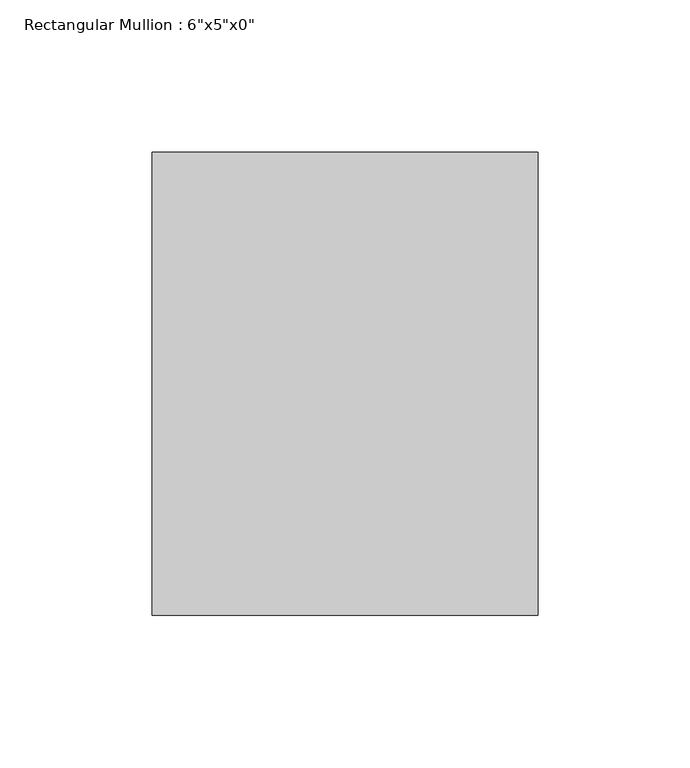
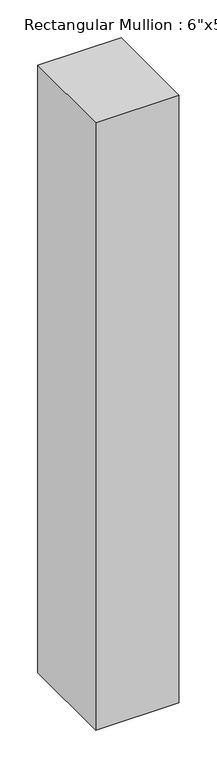
"""IFC4 building model written with IfcOpenShell, lengths in millimetres: member geometry."""

import ifcopenshell
import ifcopenshell.guid

model = None  # the IFC model being written
_history = None  # IfcOwnerHistory: only IFC2X3 demands one
_inside = {}  # id of a spatial element -> (the spatial element, [elements in it])
_under = {}  # id of a project, library or spatial element -> (it, [spatial elements below it])
_declared = {}  # id of a project -> (the project, [libraries it declares])
_typed = {}  # id of a type object -> (the type object, [elements of that type])
_made_of = {}  # id of a material, layer set ... -> (it, [elements and type objects made of it])


def new_model(schema):
    """Start an empty IFC model of exactly this schema.

    Asked for "IFC4X3", IfcOpenShell would pick the latest addendum, in which some entities
    have other attributes; the version numbers below select the first issue.
    IFC2X3 requires an IfcOwnerHistory on every rooted entity: one is made here for all.
    """
    global model, _history
    if schema == "IFC4X3":
        model = ifcopenshell.file(schema_version=(4, 3, 0, 0))
    else:
        model = ifcopenshell.file(schema=schema)
    _inside.clear()
    _under.clear()
    _declared.clear()
    _typed.clear()
    _made_of.clear()
    _history = None
    if model.schema == "IFC2X3":
        org = make("IfcOrganization", Name="unknown")
        user = make(
            "IfcPersonAndOrganization",
            ThePerson=make("IfcPerson", FamilyName="unknown"),
            TheOrganization=org,
        )
        app = make(
            "IfcApplication",
            ApplicationDeveloper=org,
            Version="unknown",
            ApplicationFullName="unknown",
            ApplicationIdentifier="unknown",
        )
        _history = make(
            "IfcOwnerHistory",
            OwningUser=user,
            OwningApplication=app,
            ChangeAction="ADDED",
            CreationDate=0,
        )
    return model


def make(cls, **values):
    """One entity of the class cls with the attributes given. An attribute that is None is left unset."""
    return model.create_entity(
        cls, **{name: value for name, value in values.items() if value is not None}
    )


def rooted(cls, **values):
    """An entity with a GlobalId (a new one), such as an element, a storey or a relation."""
    return make(cls, GlobalId=ifcopenshell.guid.new(), OwnerHistory=_history, **values)


def si_unit(unit_type, name, prefix=None):
    """IfcSIUnit, for example si_unit("LENGTHUNIT", "METRE", prefix="MILLI")."""
    return make("IfcSIUnit", UnitType=unit_type, Prefix=prefix, Name=name)


def assignment(units):
    """IfcUnitAssignment: the units of a project."""
    return None if units is None else make("IfcUnitAssignment", Units=units)


def point(xyz):
    """IfcCartesianPoint."""
    return None if xyz is None else make("IfcCartesianPoint", Coordinates=xyz)


def direction(xyz):
    """IfcDirection."""
    return None if xyz is None else make("IfcDirection", DirectionRatios=xyz)


def frame(location, z_axis=None, x_axis=None):
    """IfcAxis2Placement3D, a coordinate frame: its origin and axes. An axis left out is left unset."""
    return make(
        "IfcAxis2Placement3D",
        Location=point(location),
        Axis=direction(z_axis),
        RefDirection=direction(x_axis),
    )


def origin():
    """The frame at (0, 0, 0) with its axes left unset."""
    return frame((0.0, 0.0, 0.0))


def place(relative_to, where):
    """IfcLocalPlacement: puts the frame where relative to a parent placement (None: the world)."""
    return make(
        "IfcLocalPlacement", PlacementRelTo=relative_to, RelativePlacement=where
    )


def context(
    kind, dimensions, precision=None, world=None, true_north=None, identifier=None
):
    """IfcGeometricRepresentationContext, for example the 3D "Model" context."""
    return make(
        "IfcGeometricRepresentationContext",
        ContextIdentifier=identifier,
        ContextType=kind,
        CoordinateSpaceDimension=dimensions,
        Precision=precision,
        WorldCoordinateSystem=world,
        TrueNorth=true_north,
    )


def project(units=None, contexts=None):
    """IfcProject with its units and contexts."""
    return rooted(
        "IfcProject",
        Name="project",
        RepresentationContexts=contexts,
        UnitsInContext=assignment(units),
    )


def spatial(cls, under=None, at=None, **own):
    """A site, building, storey or space (cls), placed at a placement, below another one or the project."""
    s = rooted(cls, ObjectPlacement=at, **own)
    if under is not None:
        _under.setdefault(under.id(), (under, []))[1].append(s)
    return s


def polyline(points):
    """IfcPolyline through the points."""
    return make("IfcPolyline", Points=[point(p) for p in points])


def outline(outer, holes=None, kind="AREA"):
    """IfcArbitraryClosedProfileDef: a profile drawn as a closed curve; with holes, ...WithVoids."""
    if holes is None:
        return make("IfcArbitraryClosedProfileDef", ProfileType=kind, OuterCurve=outer)
    return make(
        "IfcArbitraryProfileDefWithVoids",
        ProfileType=kind,
        OuterCurve=outer,
        InnerCurves=holes,
    )


def extrude(swept, where, along, depth):
    """IfcExtrudedAreaSolid: the profile swept, set in the frame where, extruded along a direction by depth."""
    return make(
        "IfcExtrudedAreaSolid",
        SweptArea=swept,
        Position=where,
        ExtrudedDirection=direction(along),
        Depth=depth,
    )


def shape(context_of_items, identifier, shape_type, items):
    """IfcShapeRepresentation: the items that make up one representation, for example the "Body"."""
    return make(
        "IfcShapeRepresentation",
        ContextOfItems=context_of_items,
        RepresentationIdentifier=identifier,
        RepresentationType=shape_type,
        Items=items,
    )


def source(mapping_origin, context_of_items, identifier, shape_type, items):
    """IfcRepresentationMap: a shape defined once, which mapped items show again and again."""
    return make(
        "IfcRepresentationMap",
        MappingOrigin=mapping_origin,
        MappedRepresentation=shape(context_of_items, identifier, shape_type, items),
    )


def transform(
    local_origin,
    x_axis=None,
    y_axis=None,
    z_axis=None,
    scale=None,
    scale2=None,
    scale3=None,
    uniform=True,
):
    """IfcCartesianTransformationOperator3D, or its non-uniform kind. x_axis, y_axis, z_axis: its Axis1, 2, 3."""
    if uniform:
        return make(
            "IfcCartesianTransformationOperator3D",
            Axis1=direction(x_axis),
            Axis2=direction(y_axis),
            LocalOrigin=point(local_origin),
            Scale=scale,
            Axis3=direction(z_axis),
        )
    return make(
        "IfcCartesianTransformationOperator3DnonUniform",
        Axis1=direction(x_axis),
        Axis2=direction(y_axis),
        LocalOrigin=point(local_origin),
        Scale=scale,
        Axis3=direction(z_axis),
        Scale2=scale2,
        Scale3=scale3,
    )


def mapped(mapping_source, mapping_target):
    """IfcMappedItem: shows the shape of a source again, moved by a transform."""
    return make(
        "IfcMappedItem", MappingSource=mapping_source, MappingTarget=mapping_target
    )


def made_of(thing, what):
    """Note that an element or type object is made of a material, layer set ...; save() writes the relation."""
    if what is not None:
        _made_of.setdefault(what.id(), (what, []))[1].append(thing)
    return thing


def element(
    cls,
    number,
    at=None,
    inside=None,
    cuts=None,
    type_object=None,
    material=None,
    context=None,
    identifier="Body",
    shape_type=None,
    held_by="IfcProductDefinitionShape",
    body=None,
    shapes=None,
    **own,
):
    """One element of the class cls, such as IfcWall. Its Tag is "e" and its number.

    at: its placement. inside: the storey or other place that contains it. cuts: it is an
    opening in that element (IfcRelVoidsElement). A single representation is given by context,
    identifier, shape_type and body (its items); several are given by shapes. held_by: the class
    of the entity that holds the representations. save() writes the other relations.
    """
    e = rooted(cls, Tag="e%d" % number, ObjectPlacement=at, **own)
    if body is not None:
        shapes = [shape(context, identifier, shape_type, body)]
    if shapes is not None:
        e.Representation = make(held_by, Representations=shapes)
    if inside is not None:
        _inside.setdefault(inside.id(), (inside, []))[1].append(e)
    if cuts is not None:
        rooted(
            "IfcRelVoidsElement", RelatingBuildingElement=cuts, RelatedOpeningElement=e
        )
    if type_object is not None:
        _typed.setdefault(type_object.id(), (type_object, []))[1].append(e)
    return made_of(e, material)


def aggregate(whole, parts):
    """IfcRelAggregates: a whole, such as a stair, and the parts it consists of."""
    return rooted("IfcRelAggregates", RelatingObject=whole, RelatedObjects=parts)


def save(model, path):
    """Write the relations noted so far, then the file.

    IfcRelAggregates (storeys below a building ...), IfcRelContainedInSpatialStructure (elements
    in a storey), IfcRelDefinesByType, IfcRelAssociatesMaterial and IfcRelDeclares: one each for
    every whole, place, type object, material and project.
    """
    for whole, parts in _under.values():
        aggregate(whole, parts)
    for where, things in _inside.values():
        rooted(
            "IfcRelContainedInSpatialStructure",
            RelatedElements=things,
            RelatingStructure=where,
        )
    for kind, things in _typed.values():
        rooted("IfcRelDefinesByType", RelatedObjects=things, RelatingType=kind)
    for what, things in _made_of.values():
        rooted("IfcRelAssociatesMaterial", RelatedObjects=things, RelatingMaterial=what)
    for by, libraries in _declared.values():
        rooted("IfcRelDeclares", RelatingContext=by, RelatedDefinitions=libraries)
    model.write(path)


def member_28370d38(model_context):
    return source(origin(), model_context, "Body", "SweptSolid", [
        extrude(outline(polyline([(0.0, 76.2), (0.0, -76.2), (-127.0, -76.2), (-127.0, 76.2), (0.0, 76.2)])), frame((0.0, 0.0, -978.9583333), z_axis=(0.0, 0.0, 1.0), x_axis=(1.0, 0.0, 0.0)), (0.0, 0.0, 1.0), 978.9583333),
    ])


if __name__ == "__main__":
    model = new_model("IFC4")
    model_context = context("Model", 3, world=origin())
    ifc_project = project(units=[si_unit("LENGTHUNIT", "METRE", prefix="MILLI")], contexts=[model_context])
    site = spatial("IfcSite", under=ifc_project)
    building = spatial("IfcBuilding", under=site)
    placement = place(None, origin())
    member_shape = member_28370d38(model_context)
    element("IfcMember", 1, ObjectType="Rectangular Mullion : 6\"x5\"x0\"", at=placement, inside=building, context=model_context, shape_type="MappedRepresentation", body=[
        mapped(member_shape, transform((0.0, 0.0, 0.0), x_axis=(1.0, 0.0, 0.0), y_axis=(0.0, 1.0, 0.0), z_axis=(0.0, 0.0, 1.0))),
    ])
    save(model, "model.ifc")
